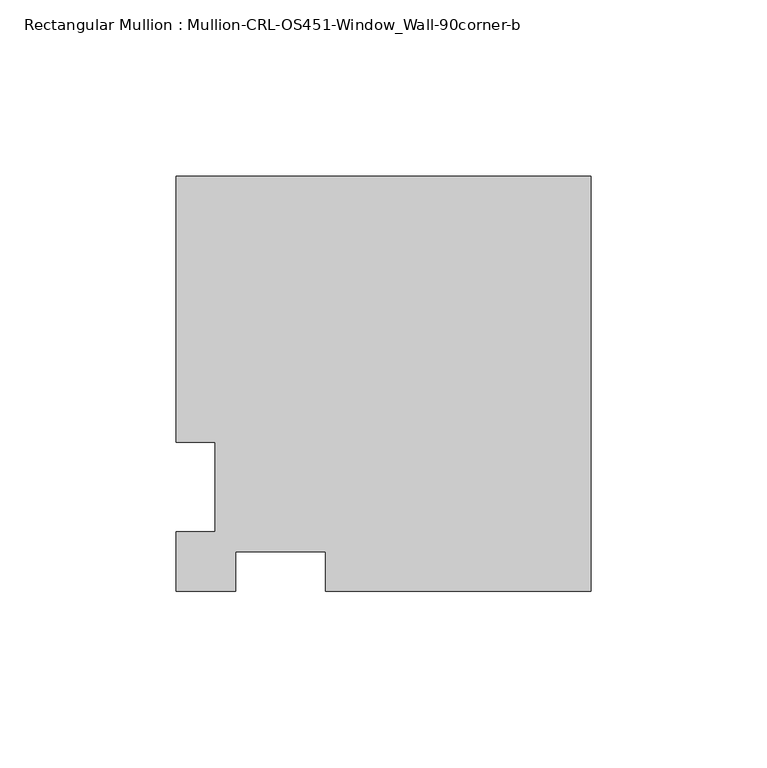
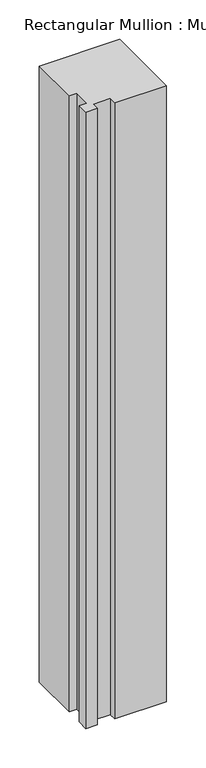
"""IFC4 building model written with IfcOpenShell, lengths in millimetres: member geometry, Rectangular Mullion : Mullion-CRL-OS451-Window_Wall-90corner-b."""

from ifc_helpers import new_model, si_unit, frame, origin, place, context, project, spatial, polyline, outline, extrude, source, transform, mapped, element, save


def rectangular_mullion_mullion_crl_os451_window_wall_90corner_b_ecb41e59(model_context):
    return source(origin(), model_context, "Body", "SweptSolid", [
        extrude(outline(polyline([(-117.6782822, 12.6999522), (-117.6782822, 88.1254014), (0.0, 88.1254014), (0.0, -29.5528171), (-75.3237055, -29.5528171), (-75.3237055, -18.4403171), (-100.7658661, -18.4403171), (-100.7658661, -29.5528171), (-117.6782822, -29.5528171), (-117.6782822, -12.7090868), (-106.5657034, -12.7090868), (-106.5657034, 12.6999522), (-117.6782822, 12.6999522)])), frame((0.0, 0.0, -953.77), z_axis=(0.0, 0.0, 1.0), x_axis=(1.0, 0.0, 0.0)), (0.0, 0.0, 1.0), 953.77),
    ])


if __name__ == "__main__":
    model = new_model("IFC4")
    model_context = context("Model", 3, world=origin())
    ifc_project = project(units=[si_unit("LENGTHUNIT", "METRE", prefix="MILLI")], contexts=[model_context])
    site = spatial("IfcSite", under=ifc_project)
    building = spatial("IfcBuilding", under=site)
    placement = place(None, origin())
    rectangular_mullion_mullion_crl_os451_window_wall_90corner_b_shape = rectangular_mullion_mullion_crl_os451_window_wall_90corner_b_ecb41e59(model_context)
    element("IfcMember", 1, ObjectType="Rectangular Mullion : Mullion-CRL-OS451-Window_Wall-90corner-b", at=placement, inside=building, context=model_context, shape_type="MappedRepresentation", body=[
        mapped(rectangular_mullion_mullion_crl_os451_window_wall_90corner_b_shape, transform((0.0, 0.0, 0.0), x_axis=(1.0, 0.0, 0.0), y_axis=(0.0, 1.0, 0.0), z_axis=(0.0, 0.0, 1.0))),
    ])
    save(model, "model.ifc")
